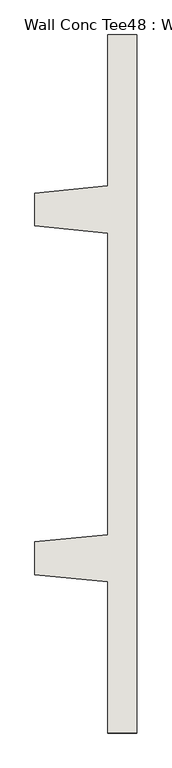
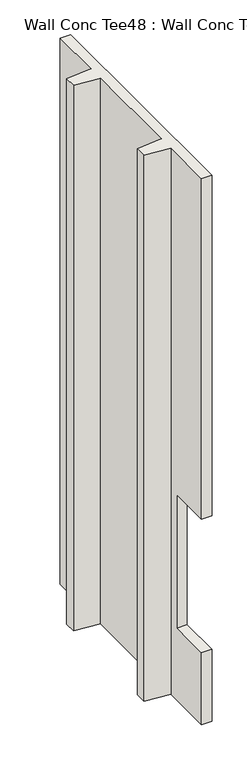
"""IFC4 building model written with IfcOpenShell, lengths in millimetres: wall geometry, Wall Conc Tee48 : Wall Conc Tee."""

from ifc_helpers import new_model, si_unit, origin, place, context, project, spatial, faceted_brep, source, transform, mapped, element, save


def wall_conc_tee48_wall_conc_tee_37dc7169(model_context):
    return source(origin(), model_context, "Body", "Brep", [
        faceted_brep([(204051.6728488, 165697.6596581, 5884.1592564), (204051.6728488, 168136.0596581, 5884.1592564), (203950.0728488, 168136.0596581, 5884.1592564), (203950.0728488, 167609.0096581, 5884.1592564), (203696.0728488, 167583.6096581, 5884.1592564), (203696.0728488, 167469.3096581, 5884.1592564), (203950.0728488, 167443.9096581, 5884.1592564), (203950.0728488, 166389.8096581, 5884.1592564), (203696.0728488, 166364.4096581, 5884.1592564), (203696.0728488, 166250.1096581, 5884.1592564), (203950.0728488, 166224.7096581, 5884.1592564), (203950.0728488, 165697.6596581, 5884.1592564), (204051.6728488, 165697.6596581, 143.7592564), (203950.0728488, 165697.6596581, 143.7592564), (203950.0728488, 166224.7096581, 143.7592564), (203696.0728488, 166250.1096581, 143.7592564), (203696.0728488, 166364.4096581, 143.7592564), (203950.0728488, 166389.8096581, 143.7592564), (203950.0728488, 167443.9096581, 143.7592564), (203696.0728488, 167469.3096581, 143.7592564), (203696.0728488, 167583.6096581, 143.7592564), (203950.0728488, 167609.0096581, 143.7592564), (203950.0728488, 168136.0596581, 143.7592564), (204051.6728488, 168136.0596581, 143.7592564), (204051.6728488, 165697.6596581, 2302.7592564), (204051.6728488, 166126.2846581, 2302.7592564), (204051.6728488, 166126.2846581, 899.4092564), (204051.6728488, 165697.6596581, 899.4092564), (203950.0728488, 165697.6596581, 899.4092564), (203950.0728488, 166126.2846581, 899.4092564), (203950.0728488, 166126.2846581, 2302.7592564), (203950.0728488, 165697.6596581, 2302.7592564)], [[[0, 1, 2, 3, 4, 5, 6, 7, 8, 9, 10, 11]], [[12, 13, 14, 15, 16, 17, 18, 19, 20, 21, 22, 23]], [[1, 0, 24, 25, 26, 27, 12, 23]], [[2, 1, 23, 22]], [[3, 2, 22, 21]], [[4, 3, 21, 20]], [[5, 4, 20, 19]], [[6, 5, 19, 18]], [[7, 6, 18, 17]], [[8, 7, 17, 16]], [[9, 8, 16, 15]], [[10, 9, 15, 14]], [[11, 10, 14, 13, 28, 29, 30, 31]], [[0, 11, 31, 24]], [[13, 12, 27, 28]], [[30, 25, 24, 31]], [[26, 29, 28, 27]], [[25, 30, 29, 26]]]),
    ])


if __name__ == "__main__":
    model = new_model("IFC4")
    model_context = context("Model", 3, world=origin())
    ifc_project = project(units=[si_unit("LENGTHUNIT", "METRE", prefix="MILLI")], contexts=[model_context])
    site = spatial("IfcSite", under=ifc_project)
    building = spatial("IfcBuilding", under=site)
    placement = place(None, origin())
    wall_conc_tee48_wall_conc_tee_shape = wall_conc_tee48_wall_conc_tee_37dc7169(model_context)
    element("IfcWall", 1, ObjectType="Wall Conc Tee48 : Wall Conc Tee", at=placement, inside=building, context=model_context, shape_type="MappedRepresentation", body=[
        mapped(wall_conc_tee48_wall_conc_tee_shape, transform((0.0, 0.0, 0.0), x_axis=(1.0, 0.0, 0.0), y_axis=(0.0, 1.0, 0.0), z_axis=(0.0, 0.0, 1.0))),
    ])
    save(model, "model.ifc")
